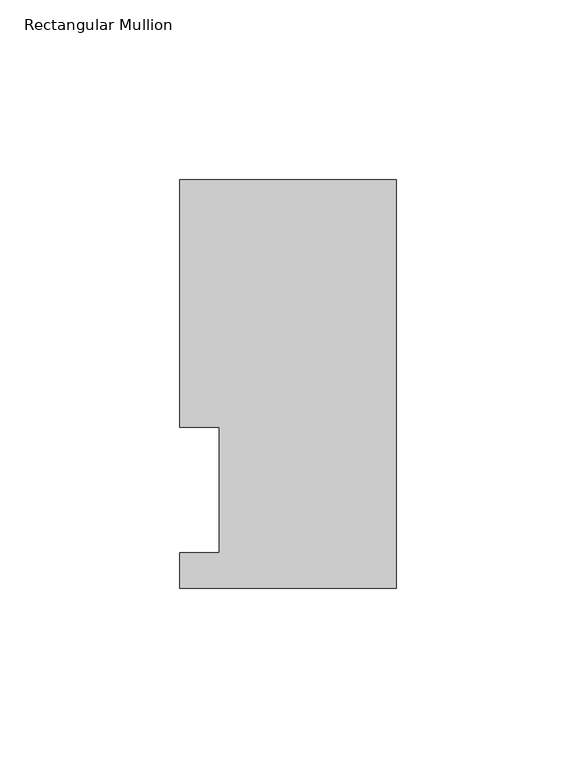
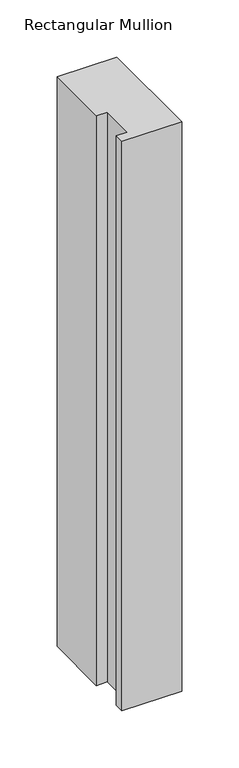
"""IFC4 building model written with IfcOpenShell, lengths in millimetres: member geometry, Rectangular Mullion."""

from ifc_helpers import new_model, si_unit, frame, origin, place, context, project, spatial, polyline, outline, extrude, source, transform, mapped, element, save


def rectangular_mullion_13440a97(model_context):
    return source(origin(), model_context, "Body", "SweptSolid", [
        extrude(outline(polyline([(-60.325, 113.8189867), (0.0, 113.8189867), (0.0, 0.0269867), (-60.325, 0.0269867), (-60.325, 9.9329867), (-49.2125, 9.9329867), (-49.2125, 44.8579875), (-60.325, 44.8579875), (-60.325, 113.8189867)])), frame((0.0, 0.0, -609.6), z_axis=(0.0, 0.0, 1.0), x_axis=(1.0, 0.0, 0.0)), (0.0, 0.0, 1.0), 609.6),
    ])


if __name__ == "__main__":
    model = new_model("IFC4")
    model_context = context("Model", 3, world=origin())
    ifc_project = project(units=[si_unit("LENGTHUNIT", "METRE", prefix="MILLI")], contexts=[model_context])
    site = spatial("IfcSite", under=ifc_project)
    building = spatial("IfcBuilding", under=site)
    placement = place(None, origin())
    rectangular_mullion_shape = rectangular_mullion_13440a97(model_context)
    element("IfcMember", 1, ObjectType="Rectangular Mullion", at=placement, inside=building, context=model_context, shape_type="MappedRepresentation", body=[
        mapped(rectangular_mullion_shape, transform((0.0, 0.0, 0.0), x_axis=(1.0, 0.0, 0.0), y_axis=(0.0, 1.0, 0.0), z_axis=(0.0, 0.0, 1.0))),
    ])
    save(model, "model.ifc")
